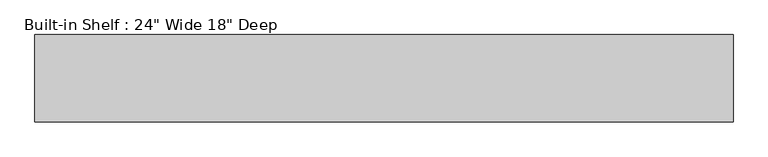
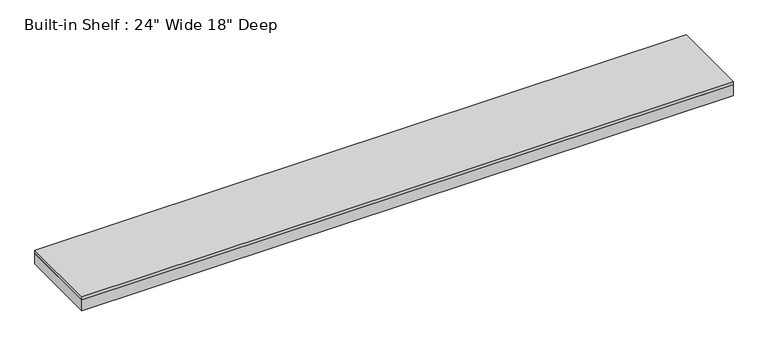
"""IFC4 building model written with IfcOpenShell, lengths in millimetres: furniture geometry."""

import ifcopenshell
import ifcopenshell.guid

model = None  # the IFC model being written
_history = None  # IfcOwnerHistory: only IFC2X3 demands one
_inside = {}  # id of a spatial element -> (the spatial element, [elements in it])
_under = {}  # id of a project, library or spatial element -> (it, [spatial elements below it])
_declared = {}  # id of a project -> (the project, [libraries it declares])
_typed = {}  # id of a type object -> (the type object, [elements of that type])
_made_of = {}  # id of a material, layer set ... -> (it, [elements and type objects made of it])


def new_model(schema):
    """Start an empty IFC model of exactly this schema.

    Asked for "IFC4X3", IfcOpenShell would pick the latest addendum, in which some entities
    have other attributes; the version numbers below select the first issue.
    IFC2X3 requires an IfcOwnerHistory on every rooted entity: one is made here for all.
    """
    global model, _history
    if schema == "IFC4X3":
        model = ifcopenshell.file(schema_version=(4, 3, 0, 0))
    else:
        model = ifcopenshell.file(schema=schema)
    _inside.clear()
    _under.clear()
    _declared.clear()
    _typed.clear()
    _made_of.clear()
    _history = None
    if model.schema == "IFC2X3":
        org = make("IfcOrganization", Name="unknown")
        user = make(
            "IfcPersonAndOrganization",
            ThePerson=make("IfcPerson", FamilyName="unknown"),
            TheOrganization=org,
        )
        app = make(
            "IfcApplication",
            ApplicationDeveloper=org,
            Version="unknown",
            ApplicationFullName="unknown",
            ApplicationIdentifier="unknown",
        )
        _history = make(
            "IfcOwnerHistory",
            OwningUser=user,
            OwningApplication=app,
            ChangeAction="ADDED",
            CreationDate=0,
        )
    return model


def make(cls, **values):
    """One entity of the class cls with the attributes given. An attribute that is None is left unset."""
    return model.create_entity(
        cls, **{name: value for name, value in values.items() if value is not None}
    )


def rooted(cls, **values):
    """An entity with a GlobalId (a new one), such as an element, a storey or a relation."""
    return make(cls, GlobalId=ifcopenshell.guid.new(), OwnerHistory=_history, **values)


def si_unit(unit_type, name, prefix=None):
    """IfcSIUnit, for example si_unit("LENGTHUNIT", "METRE", prefix="MILLI")."""
    return make("IfcSIUnit", UnitType=unit_type, Prefix=prefix, Name=name)


def assignment(units):
    """IfcUnitAssignment: the units of a project."""
    return None if units is None else make("IfcUnitAssignment", Units=units)


def point(xyz):
    """IfcCartesianPoint."""
    return None if xyz is None else make("IfcCartesianPoint", Coordinates=xyz)


def direction(xyz):
    """IfcDirection."""
    return None if xyz is None else make("IfcDirection", DirectionRatios=xyz)


def frame(location, z_axis=None, x_axis=None):
    """IfcAxis2Placement3D, a coordinate frame: its origin and axes. An axis left out is left unset."""
    return make(
        "IfcAxis2Placement3D",
        Location=point(location),
        Axis=direction(z_axis),
        RefDirection=direction(x_axis),
    )


def origin():
    """The frame at (0, 0, 0) with its axes left unset."""
    return frame((0.0, 0.0, 0.0))


def place(relative_to, where):
    """IfcLocalPlacement: puts the frame where relative to a parent placement (None: the world)."""
    return make(
        "IfcLocalPlacement", PlacementRelTo=relative_to, RelativePlacement=where
    )


def context(
    kind, dimensions, precision=None, world=None, true_north=None, identifier=None
):
    """IfcGeometricRepresentationContext, for example the 3D "Model" context."""
    return make(
        "IfcGeometricRepresentationContext",
        ContextIdentifier=identifier,
        ContextType=kind,
        CoordinateSpaceDimension=dimensions,
        Precision=precision,
        WorldCoordinateSystem=world,
        TrueNorth=true_north,
    )


def project(units=None, contexts=None):
    """IfcProject with its units and contexts."""
    return rooted(
        "IfcProject",
        Name="project",
        RepresentationContexts=contexts,
        UnitsInContext=assignment(units),
    )


def spatial(cls, under=None, at=None, **own):
    """A site, building, storey or space (cls), placed at a placement, below another one or the project."""
    s = rooted(cls, ObjectPlacement=at, **own)
    if under is not None:
        _under.setdefault(under.id(), (under, []))[1].append(s)
    return s


def polyline(points):
    """IfcPolyline through the points."""
    return make("IfcPolyline", Points=[point(p) for p in points])


def outline(outer, holes=None, kind="AREA"):
    """IfcArbitraryClosedProfileDef: a profile drawn as a closed curve; with holes, ...WithVoids."""
    if holes is None:
        return make("IfcArbitraryClosedProfileDef", ProfileType=kind, OuterCurve=outer)
    return make(
        "IfcArbitraryProfileDefWithVoids",
        ProfileType=kind,
        OuterCurve=outer,
        InnerCurves=holes,
    )


def extrude(swept, where, along, depth):
    """IfcExtrudedAreaSolid: the profile swept, set in the frame where, extruded along a direction by depth."""
    return make(
        "IfcExtrudedAreaSolid",
        SweptArea=swept,
        Position=where,
        ExtrudedDirection=direction(along),
        Depth=depth,
    )


def shape(context_of_items, identifier, shape_type, items):
    """IfcShapeRepresentation: the items that make up one representation, for example the "Body"."""
    return make(
        "IfcShapeRepresentation",
        ContextOfItems=context_of_items,
        RepresentationIdentifier=identifier,
        RepresentationType=shape_type,
        Items=items,
    )


def source(mapping_origin, context_of_items, identifier, shape_type, items):
    """IfcRepresentationMap: a shape defined once, which mapped items show again and again."""
    return make(
        "IfcRepresentationMap",
        MappingOrigin=mapping_origin,
        MappedRepresentation=shape(context_of_items, identifier, shape_type, items),
    )


def transform(
    local_origin,
    x_axis=None,
    y_axis=None,
    z_axis=None,
    scale=None,
    scale2=None,
    scale3=None,
    uniform=True,
):
    """IfcCartesianTransformationOperator3D, or its non-uniform kind. x_axis, y_axis, z_axis: its Axis1, 2, 3."""
    if uniform:
        return make(
            "IfcCartesianTransformationOperator3D",
            Axis1=direction(x_axis),
            Axis2=direction(y_axis),
            LocalOrigin=point(local_origin),
            Scale=scale,
            Axis3=direction(z_axis),
        )
    return make(
        "IfcCartesianTransformationOperator3DnonUniform",
        Axis1=direction(x_axis),
        Axis2=direction(y_axis),
        LocalOrigin=point(local_origin),
        Scale=scale,
        Axis3=direction(z_axis),
        Scale2=scale2,
        Scale3=scale3,
    )


def mapped(mapping_source, mapping_target):
    """IfcMappedItem: shows the shape of a source again, moved by a transform."""
    return make(
        "IfcMappedItem", MappingSource=mapping_source, MappingTarget=mapping_target
    )


def made_of(thing, what):
    """Note that an element or type object is made of a material, layer set ...; save() writes the relation."""
    if what is not None:
        _made_of.setdefault(what.id(), (what, []))[1].append(thing)
    return thing


def element(
    cls,
    number,
    at=None,
    inside=None,
    cuts=None,
    type_object=None,
    material=None,
    context=None,
    identifier="Body",
    shape_type=None,
    held_by="IfcProductDefinitionShape",
    body=None,
    shapes=None,
    **own,
):
    """One element of the class cls, such as IfcWall. Its Tag is "e" and its number.

    at: its placement. inside: the storey or other place that contains it. cuts: it is an
    opening in that element (IfcRelVoidsElement). A single representation is given by context,
    identifier, shape_type and body (its items); several are given by shapes. held_by: the class
    of the entity that holds the representations. save() writes the other relations.
    """
    e = rooted(cls, Tag="e%d" % number, ObjectPlacement=at, **own)
    if body is not None:
        shapes = [shape(context, identifier, shape_type, body)]
    if shapes is not None:
        e.Representation = make(held_by, Representations=shapes)
    if inside is not None:
        _inside.setdefault(inside.id(), (inside, []))[1].append(e)
    if cuts is not None:
        rooted(
            "IfcRelVoidsElement", RelatingBuildingElement=cuts, RelatedOpeningElement=e
        )
    if type_object is not None:
        _typed.setdefault(type_object.id(), (type_object, []))[1].append(e)
    return made_of(e, material)


def aggregate(whole, parts):
    """IfcRelAggregates: a whole, such as a stair, and the parts it consists of."""
    return rooted("IfcRelAggregates", RelatingObject=whole, RelatedObjects=parts)


def save(model, path):
    """Write the relations noted so far, then the file.

    IfcRelAggregates (storeys below a building ...), IfcRelContainedInSpatialStructure (elements
    in a storey), IfcRelDefinesByType, IfcRelAssociatesMaterial and IfcRelDeclares: one each for
    every whole, place, type object, material and project.
    """
    for whole, parts in _under.values():
        aggregate(whole, parts)
    for where, things in _inside.values():
        rooted(
            "IfcRelContainedInSpatialStructure",
            RelatedElements=things,
            RelatingStructure=where,
        )
    for kind, things in _typed.values():
        rooted("IfcRelDefinesByType", RelatedObjects=things, RelatingType=kind)
    for what, things in _made_of.values():
        rooted("IfcRelAssociatesMaterial", RelatedObjects=things, RelatingMaterial=what)
    for by, libraries in _declared.values():
        rooted("IfcRelDeclares", RelatingContext=by, RelatedDefinitions=libraries)
    model.write(path)


def furniture_309a5597(model_context):
    return source(origin(), model_context, "Body", "SweptSolid", [
        extrude(outline(polyline([(1828.5876104, 554.0375), (1828.5876104, 96.8375), (-1828.5876104, 96.8375), (-1828.5876104, 554.0375), (1828.5876104, 554.0375)])), frame((0.0, 0.0, 2114.55), z_axis=(0.0, 0.0, 1.0), x_axis=(1.0, 0.0, 0.0)), (0.0, 0.0, 1.0), 19.05),
        extrude(outline(polyline([(1828.5876104, 96.8375), (-1828.5876104, 96.8375), (-1828.5876104, 554.0375), (-1809.5376104, 554.0375), (-1809.5376104, 115.8875), (1809.5376104, 115.8875), (1809.5376104, 554.0375), (1828.5876104, 554.0375), (1828.5876104, 96.8375)])), frame((0.0, 0.0, 2051.05), z_axis=(0.0, 0.0, 1.0), x_axis=(1.0, 0.0, 0.0)), (0.0, 0.0, 1.0), 63.5),
    ])


if __name__ == "__main__":
    model = new_model("IFC4")
    model_context = context("Model", 3, world=origin())
    ifc_project = project(units=[si_unit("LENGTHUNIT", "METRE", prefix="MILLI")], contexts=[model_context])
    site = spatial("IfcSite", under=ifc_project)
    building = spatial("IfcBuilding", under=site)
    placement = place(None, origin())
    furniture_shape = furniture_309a5597(model_context)
    element("IfcFurniture", 1, ObjectType="Built-in Shelf : 24\" Wide 18\" Deep", at=placement, inside=building, context=model_context, shape_type="MappedRepresentation", body=[
        mapped(furniture_shape, transform((0.0, 0.0, 0.0), x_axis=(1.0, 0.0, 0.0), y_axis=(0.0, 1.0, 0.0), z_axis=(0.0, 0.0, 1.0))),
    ])
    save(model, "model.ifc")
